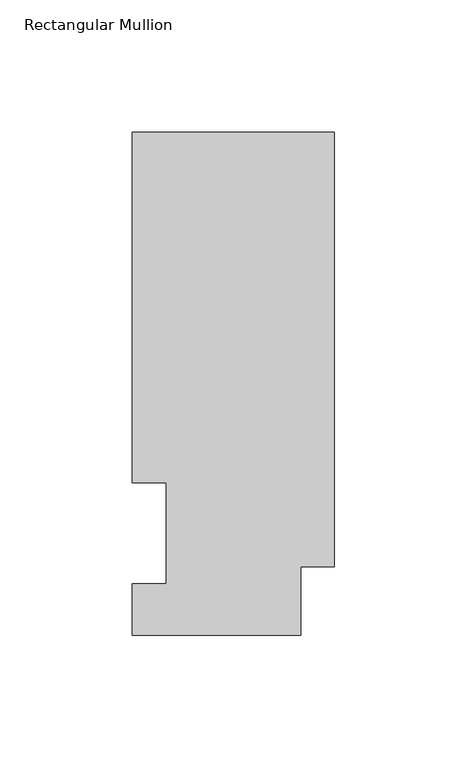
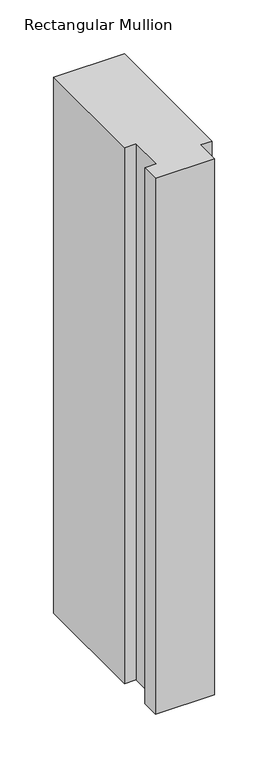
"""IFC4 building model written with IfcOpenShell, lengths in millimetres: member geometry, Rectangular Mullion."""

from ifc_helpers import new_model, si_unit, frame, origin, place, context, project, spatial, polyline, outline, extrude, source, transform, mapped, element, save


def rectangular_mullion_dedb25ef(model_context):
    return source(origin(), model_context, "Body", "SweptSolid", [
        extrude(outline(polyline([(0.0, 189.8022938), (0.0, 25.8955957), (-12.7, 25.8955957), (-12.7, 0.0134938), (-76.2, 0.0134938), (-76.2, 19.5460938), (-63.5, 19.5460938), (-63.5, 57.6460937), (-76.2, 57.6460937), (-76.2, 189.8022938), (0.0, 189.8022938)])), frame((0.0, 0.0, -609.6), z_axis=(0.0, 0.0, 1.0), x_axis=(1.0, 0.0, 0.0)), (0.0, 0.0, 1.0), 609.6),
    ])


if __name__ == "__main__":
    model = new_model("IFC4")
    model_context = context("Model", 3, world=origin())
    ifc_project = project(units=[si_unit("LENGTHUNIT", "METRE", prefix="MILLI")], contexts=[model_context])
    site = spatial("IfcSite", under=ifc_project)
    building = spatial("IfcBuilding", under=site)
    placement = place(None, origin())
    rectangular_mullion_shape = rectangular_mullion_dedb25ef(model_context)
    element("IfcMember", 1, ObjectType="Rectangular Mullion", at=placement, inside=building, context=model_context, shape_type="MappedRepresentation", body=[
        mapped(rectangular_mullion_shape, transform((0.0, 0.0, 0.0), x_axis=(1.0, 0.0, 0.0), y_axis=(0.0, 1.0, 0.0), z_axis=(0.0, 0.0, 1.0))),
    ])
    save(model, "model.ifc")
